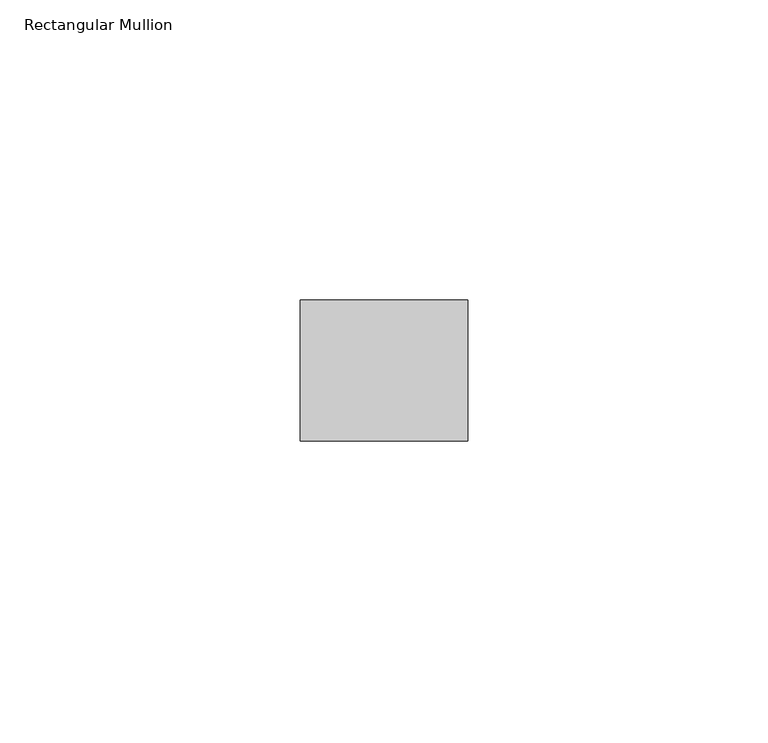
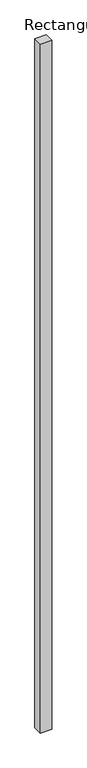
"""IFC4 building model written with IfcOpenShell, lengths in millimetres: member geometry, Rectangular Mullion."""

from ifc_helpers import new_model, si_unit, frame, origin, place, context, project, spatial, polyline, outline, extrude, source, transform, mapped, element, save


def rectangular_mullion_c9d720f3(model_context):
    return source(origin(), model_context, "Body", "SweptSolid", [
        extrude(outline(polyline([(0.0, -11.7474999), (-27.94, -11.7474999), (-27.94, 11.7474999), (0.0, 11.7474999), (0.0, -11.7474999)])), frame((0.0, 0.0, -1809.75), z_axis=(0.0, 0.0, 1.0), x_axis=(1.0, 0.0, 0.0)), (0.0, 0.0, 1.0), 1809.75),
    ])


if __name__ == "__main__":
    model = new_model("IFC4")
    model_context = context("Model", 3, world=origin())
    ifc_project = project(units=[si_unit("LENGTHUNIT", "METRE", prefix="MILLI")], contexts=[model_context])
    site = spatial("IfcSite", under=ifc_project)
    building = spatial("IfcBuilding", under=site)
    placement = place(None, origin())
    rectangular_mullion_shape = rectangular_mullion_c9d720f3(model_context)
    element("IfcMember", 1, ObjectType="Rectangular Mullion", at=placement, inside=building, context=model_context, shape_type="MappedRepresentation", body=[
        mapped(rectangular_mullion_shape, transform((0.0, 0.0, 0.0), x_axis=(1.0, 0.0, 0.0), y_axis=(0.0, 1.0, 0.0), z_axis=(0.0, 0.0, 1.0))),
    ])
    save(model, "model.ifc")
